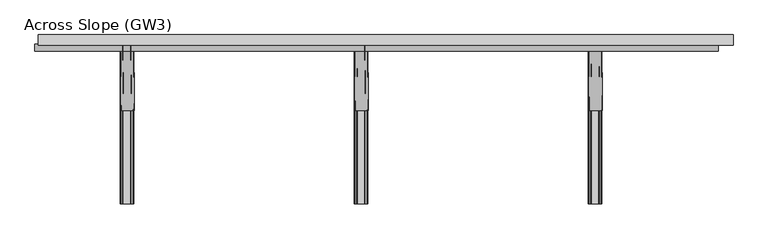
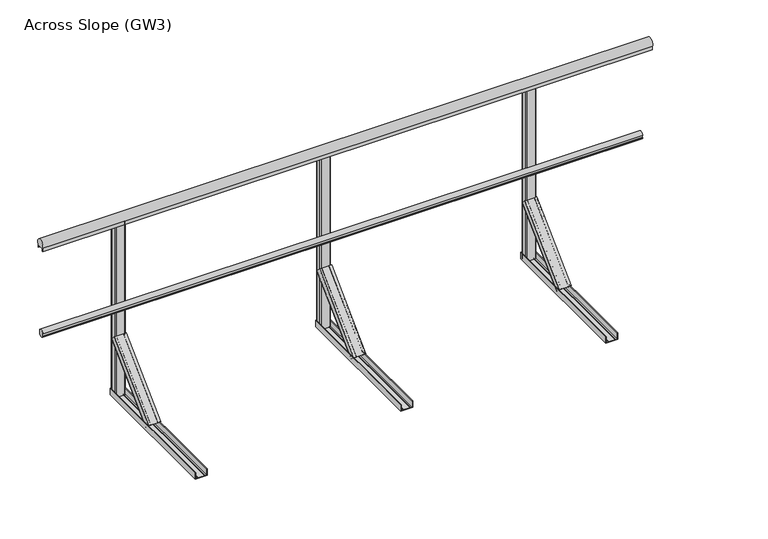
"""IFC4 building model written with IfcOpenShell, lengths in millimetres: railing geometry, Across Slope (GW3)."""

from ifc_helpers import new_model, si_unit, point, frame, frame_2d, origin, origin_with_axes, place, context, project, spatial, polyline, circle_curve, trimmed, segment, composite_curve, outline, extrude, source, transform, mapped, element, save
from ifc_brep_helpers import plane_surface, extruded_surface, advanced_brep


def across_slope_gw3_7d559c60(model_context):
    return source(origin(), model_context, "Body", "SolidModel", [
        extrude(outline(composite_curve([segment(polyline([(727.7, 520.617273), (731.7, 520.617273), (731.7, 535.382727), (727.7, 535.382727)]), True, "CONTINUOUS"), segment(trimmed(circle_curve(frame_2d((746.287505, 528.0)), 20.0), [point((727.7, 535.382727))], [point((762.0, 540.3740657))], False, "CARTESIAN"), True, "CONTINUOUS"), segment(polyline([(762.0, 540.3740657), (762.0, 515.6259343)]), True, "CONTINUOUS"), segment(trimmed(circle_curve(frame_2d((746.287505, 528.0)), 20.0), [point((762.0, 515.6259343))], [point((727.7, 520.617273))], False, "CARTESIAN"), True, "CONTINUOUS")], self_intersect=False)), frame((-410.0, 0.0, 0.0), z_axis=(1.0, 0.0, 0.0), x_axis=(0.0, 1.0, 0.0)), (0.0, 0.0, 1.0), 3255.4852492),
        extrude(outline(composite_curve([segment(polyline([(802.0, 1001.43534), (802.0, 983.0), (801.0, 983.0), (801.0, 998.0), (761.0, 998.0), (761.0, 983.0), (760.0, 983.0), (760.0, 1001.43534)]), True, "CONTINUOUS"), segment(trimmed(circle_curve(frame_2d((781.0, 1015.0)), 25.0), [point((760.0, 1001.43534))], [point((802.0, 1001.43534))], False, "CARTESIAN"), True, "CONTINUOUS")], self_intersect=False)), frame((-395.0, 0.0, 0.0), z_axis=(1.0, 0.0, 0.0), x_axis=(0.0, 1.0, 0.0)), (0.0, 0.0, 1.0), 3310.4852492),
        extrude(outline(composite_curve([segment(polyline([(1119.7426246, 800.0), (1165.7426246, 800.0)]), True, "CONTINUOUS"), segment(trimmed(circle_curve(frame_2d((1165.7426246, 795.0)), 5.0), [point((1165.7426246, 800.0))], [point((1170.7426246, 795.0))], False, "CARTESIAN"), True, "CONTINUOUS"), segment(polyline([(1170.7426246, 795.0), (1170.7426246, 767.0)]), True, "CONTINUOUS"), segment(trimmed(circle_curve(frame_2d((1165.7426246, 767.0)), 5.0), [point((1170.7426246, 767.0))], [point((1165.7426246, 762.0))], False, "CARTESIAN"), True, "CONTINUOUS"), segment(polyline([(1165.7426246, 762.0), (1119.7426246, 762.0)]), True, "CONTINUOUS"), segment(trimmed(circle_curve(frame_2d((1119.7426246, 767.0)), 5.0), [point((1119.7426246, 762.0))], [point((1114.7426246, 767.0))], False, "CARTESIAN"), True, "CONTINUOUS"), segment(polyline([(1114.7426246, 767.0), (1114.7426246, 795.0)]), True, "CONTINUOUS"), segment(trimmed(circle_curve(frame_2d((1119.7426246, 795.0)), 5.0), [point((1114.7426246, 795.0))], [point((1119.7426246, 800.0))], False, "CARTESIAN"), True, "CONTINUOUS")], self_intersect=False)), origin_with_axes(), (0.0, 0.0, 1.0), 998.0),
        advanced_brep(
        [(1178.2426246, 443.7912606, 38.0), (1113.2426246, 443.7912606, 38.0), (1113.2426246, 469.6006581, 12.1906025), (1116.2426246, 469.6006581, 12.1906025), (1116.2426246, 445.9125809, 35.8786797), (1126.2426246, 445.9125809, 35.8786797), (1126.2426246, 447.6803479, 34.1109127), (1127.2426246, 447.6803479, 34.1109127), (1127.2426246, 445.9125809, 35.8786797), (1164.2426246, 445.9125809, 35.8786797), (1164.2426246, 447.6803479, 34.1109127), (1165.2426246, 447.6803479, 34.1109127), (1165.2426246, 445.9125809, 35.8786797), (1175.2426246, 445.9125809, 35.8786797), (1175.2426246, 469.6006581, 12.1906025), (1178.2426246, 469.6006581, 12.1906025), (1175.2426246, 761.9893121, 356.1980516), (1175.2426246, 787.7987096, 330.3886541), (1172.2426246, 787.7987096, 330.3886541), (1172.2426246, 764.1106324, 354.0767312), (1162.2426246, 764.1106324, 354.0767312), (1162.2426246, 765.8783994, 352.3089643), (1161.2426246, 765.8783994, 352.3089643), (1161.2426246, 764.1106324, 354.0767312), (1124.2426246, 764.1106324, 354.0767312), (1124.2426246, 765.8783994, 352.3089643), (1123.2426246, 765.8783994, 352.3089643), (1123.2426246, 764.1106324, 354.0767312), (1113.2426246, 764.1106324, 354.0767312), (1113.2426246, 787.7987096, 330.3886541), (1110.2426246, 787.7987096, 330.3886541), (1110.2426246, 761.9893121, 356.1980516)],
        [
            (0, 1),
            (1, 2),
            (2, 3, circle_curve(frame((1114.7426246, 469.6006581, 12.1906025), z_axis=(0.0, -0.7071067811865529, -0.7071067811865422), x_axis=(0.0, 0.7071067811865422, -0.7071067811865529)), 1.5)),
            (3, 4),
            (4, 5),
            (5, 6),
            (6, 7, circle_curve(frame((1126.7426246, 447.6803479, 34.1109127), z_axis=(0.0, -0.7071067811865529, -0.7071067811865422), x_axis=(0.0, 0.7071067811865422, -0.7071067811865529)), 0.5)),
            (7, 8),
            (8, 9),
            (9, 10),
            (10, 11, circle_curve(frame((1164.7426246, 447.6803479, 34.1109127), z_axis=(0.0, -0.7071067811865529, -0.7071067811865422), x_axis=(0.0, 0.7071067811865422, -0.7071067811865529)), 0.5)),
            (11, 12),
            (12, 13),
            (13, 14),
            (14, 15, circle_curve(frame((1176.7426246, 469.6006581, 12.1906025), z_axis=(0.0, -0.7071067811865529, -0.7071067811865422), x_axis=(0.0, 0.7071067811865422, -0.7071067811865529)), 1.5)),
            (15, 0),
            (16, 17),
            (17, 18, circle_curve(frame((1173.7426246, 787.7987096, 330.3886541), z_axis=(0.0, 0.7071067811865529, 0.7071067811865422), x_axis=(0.0, 0.7071067811865422, -0.7071067811865529)), 1.5)),
            (18, 19),
            (19, 20),
            (20, 21),
            (21, 22, circle_curve(frame((1161.7426246, 765.8783994, 352.3089643), z_axis=(0.0, 0.7071067811865529, 0.7071067811865422), x_axis=(0.0, 0.7071067811865422, -0.7071067811865529)), 0.5)),
            (22, 23),
            (23, 24),
            (24, 25),
            (25, 26, circle_curve(frame((1123.7426246, 765.8783994, 352.3089643), z_axis=(0.0, 0.7071067811865529, 0.7071067811865422), x_axis=(0.0, 0.7071067811865422, -0.7071067811865529)), 0.5)),
            (26, 27),
            (27, 28),
            (28, 29),
            (29, 30, circle_curve(frame((1111.7426246, 787.7987096, 330.3886541), z_axis=(0.0, 0.7071067811865529, 0.7071067811865422), x_axis=(0.0, 0.7071067811865422, -0.7071067811865529)), 1.5)),
            (30, 31),
            (31, 16),
            (16, 0),
            (15, 17),
            (14, 18),
            (13, 19),
            (12, 20),
            (11, 21),
            (10, 22),
            (9, 23),
            (8, 24),
            (7, 25),
            (6, 26),
            (5, 27),
            (4, 28),
            (3, 29),
            (2, 30),
            (1, 31),
        ],
        [
            plane_surface(frame((1145.7426246, 452.0113769, 29.7798837), z_axis=(0.0, -0.7071067811865528, -0.7071067811865424), x_axis=(0.0, 0.7071067811865424, -0.7071067811865528))),
            plane_surface(frame((1142.7426246, 770.2094284, 347.9779352), z_axis=(0.0, 0.7071067811865528, 0.7071067811865422), x_axis=(0.0, 0.7071067811865422, -0.7071067811865528))),
            plane_surface(frame((1175.2426246, 774.8940109, 343.2933528), z_axis=(0.9999777785184911, 0.004713940454846682, 0.004713940454842173), x_axis=(0.0, 0.7071067811865424, -0.7071067811865528))),
            extruded_surface(trimmed(circle_curve(frame((1176.7426246, 469.6006581, 12.1906025), z_axis=(0.0, 0.7071067811865529, 0.7071067811865422), x_axis=(0.0, 0.7071067811865422, -0.7071067811865529)), 1.5), [point((1178.2426246, 469.6006581, 12.1906025))], [point((1175.2426246, 469.6006581, 12.1906025))], True, "CARTESIAN"), (-3.0, 318.1980515000001, 318.1980516), 450.00999991159415),
            plane_surface(frame((1172.2426246, 775.954671, 342.2326926), z_axis=(-0.9999777785184913, -0.004713940454846682, -0.004713940454842174), x_axis=(0.0, -0.7071067811865425, 0.7071067811865528))),
            plane_surface(frame((1167.2426246, 764.1106324, 354.0767312), z_axis=(0.0, 0.7071067811865427, -0.7071067811865523), x_axis=(-1.0, 0.0, 0.0))),
            plane_surface(frame((1162.2426246, 764.9945159, 353.1928478), z_axis=(0.9999777785184911, 0.0047139404548466575, 0.0047139404548422), x_axis=(0.0, 0.7071067811865461, -0.7071067811865489))),
            extruded_surface(trimmed(circle_curve(frame((1164.7426246, 447.6803479, 34.1109127), z_axis=(0.0, 0.7071067811865529, 0.7071067811865422), x_axis=(0.0, 0.7071067811865422, -0.7071067811865529)), 0.5), [point((1165.2426246, 447.6803479, 34.1109127))], [point((1164.2426246, 447.6803479, 34.1109127))], True, "CARTESIAN"), (-3.0, 318.1980515, 318.1980516), 450.0099999115941),
            plane_surface(frame((1161.2426246, 764.9945159, 353.1928478), z_axis=(-0.9999777785184911, -0.004713940454846672, -0.004713940454842214), x_axis=(0.0, -0.7071067811865461, 0.7071067811865489))),
            plane_surface(frame((1142.7426246, 764.1106324, 354.0767312), z_axis=(0.0, 0.7071067811865427, -0.7071067811865523), x_axis=(-1.0, 0.0, 0.0))),
            plane_surface(frame((1124.2426246, 764.9945159, 353.1928478), z_axis=(0.9999777785184911, 0.0047139404548466645, 0.004713940454842207), x_axis=(0.0, 0.7071067811865461, -0.7071067811865489))),
            extruded_surface(trimmed(circle_curve(frame((1126.7426246, 447.6803479, 34.1109127), z_axis=(0.0, 0.7071067811865529, 0.7071067811865422), x_axis=(0.0, 0.7071067811865422, -0.7071067811865529)), 0.5), [point((1127.2426246, 447.6803479, 34.1109127))], [point((1126.2426246, 447.6803479, 34.1109127))], True, "CARTESIAN"), (-3.0, 318.1980515, 318.1980516), 450.0099999115941),
            plane_surface(frame((1123.2426246, 764.9945159, 353.1928478), z_axis=(-0.9999777785184911, -0.004713940454846691, -0.004713940454842178), x_axis=(0.0, -0.7071067811865419, 0.7071067811865531))),
            plane_surface(frame((1118.2426246, 764.1106324, 354.0767312), z_axis=(0.0, 0.7071067811865425, -0.7071067811865526), x_axis=(-1.0, 0.0, 0.0))),
            plane_surface(frame((1113.2426246, 775.954671, 342.2326926), z_axis=(0.9999777785184913, 0.00471394045484669, 0.004713940454842181), x_axis=(0.0, 0.7071067811865425, -0.7071067811865528))),
            extruded_surface(trimmed(circle_curve(frame((1114.7426246, 469.6006581, 12.1906025), z_axis=(0.0, 0.7071067811865529, 0.7071067811865422), x_axis=(0.0, 0.7071067811865422, -0.7071067811865529)), 1.5), [point((1116.2426246, 469.6006581, 12.1906025))], [point((1113.2426246, 469.6006581, 12.1906025))], True, "CARTESIAN"), (-3.0, 318.1980515000001, 318.1980516), 450.00999991159415),
            plane_surface(frame((1110.2426246, 774.8940109, 343.2933528), z_axis=(-0.9999777785184911, -0.0047139404548466905, -0.004713940454842179), x_axis=(0.0, -0.7071067811865421, 0.7071067811865529))),
            plane_surface(frame((1142.7426246, 761.9893121, 356.1980516), z_axis=(0.0, -0.707106781186543, 0.707106781186552), x_axis=(1.0, 0.0, 0.0))),
        ],
        [
            (0, [[1, 2, 3, 4, 5, 6, 7, 8, 9, 10, 11, 12, 13, 14, 15, 16]]),
            (1, [[17, 18, 19, 20, 21, 22, 23, 24, 25, 26, 27, 28, 29, 30, 31, 32]]),
            (2, [[33, -16, 34, -17]]),
            (3, [[-34, -15, 35, -18]]),
            (4, [[-35, -14, 36, -19]]),
            (5, [[-36, -13, 37, -20]]),
            (6, [[-37, -12, 38, -21]]),
            (7, [[-38, -11, 39, -22]]),
            (8, [[-39, -10, 40, -23]]),
            (9, [[-40, -9, 41, -24]]),
            (10, [[-41, -8, 42, -25]]),
            (11, [[-42, -7, 43, -26]]),
            (12, [[-43, -6, 44, -27]]),
            (13, [[-44, -5, 45, -28]]),
            (14, [[-45, -4, 46, -29]]),
            (15, [[-46, -3, 47, -30]]),
            (16, [[-47, -2, 48, -31]]),
            (17, [[-48, -1, -33, -32]]),
        ],
    ),
        extrude(outline(composite_curve([segment(polyline([(0.0, 1175.2426246), (36.5, 1175.2426246)]), True, "CONTINUOUS"), segment(trimmed(circle_curve(frame_2d((36.5, 1173.7426246)), 1.5), [point((36.5, 1175.2426246))], [point((36.5, 1172.2426246))], False, "CARTESIAN"), True, "CONTINUOUS"), segment(polyline([(36.5, 1172.2426246), (3.0, 1172.2426246), (3.0, 1162.2426246), (5.5, 1162.2426246)]), True, "CONTINUOUS"), segment(trimmed(circle_curve(frame_2d((5.5, 1161.7426246)), 0.5), [point((5.5, 1162.2426246))], [point((5.5, 1161.2426246))], False, "CARTESIAN"), True, "CONTINUOUS"), segment(polyline([(5.5, 1161.2426246), (3.0, 1161.2426246), (3.0, 1124.2426246), (5.5, 1124.2426246)]), True, "CONTINUOUS"), segment(trimmed(circle_curve(frame_2d((5.5, 1123.7426246)), 0.5), [point((5.5, 1124.2426246))], [point((5.5, 1123.2426246))], False, "CARTESIAN"), True, "CONTINUOUS"), segment(polyline([(5.5, 1123.2426246), (3.0, 1123.2426246), (3.0, 1113.2426246), (36.5, 1113.2426246)]), True, "CONTINUOUS"), segment(trimmed(circle_curve(frame_2d((36.5, 1111.7426246)), 1.5), [point((36.5, 1113.2426246))], [point((36.5, 1110.2426246))], False, "CARTESIAN"), True, "CONTINUOUS"), segment(polyline([(36.5, 1110.2426246), (0.0, 1110.2426246), (0.0, 1175.2426246)]), True, "CONTINUOUS")], self_intersect=False)), frame((0.0, 0.0, 0.0), z_axis=(0.0, 1.0, 0.0), x_axis=(0.0, 0.0, 1.0)), (0.0, 0.0, 1.0), 800.0),
        extrude(outline(composite_curve([segment(polyline([(2234.4852492, 800.0), (2280.4852492, 800.0)]), True, "CONTINUOUS"), segment(trimmed(circle_curve(frame_2d((2280.4852492, 795.0)), 5.0), [point((2280.4852492, 800.0))], [point((2285.4852492, 795.0))], False, "CARTESIAN"), True, "CONTINUOUS"), segment(polyline([(2285.4852492, 795.0), (2285.4852492, 767.0)]), True, "CONTINUOUS"), segment(trimmed(circle_curve(frame_2d((2280.4852492, 767.0)), 5.0), [point((2285.4852492, 767.0))], [point((2280.4852492, 762.0))], False, "CARTESIAN"), True, "CONTINUOUS"), segment(polyline([(2280.4852492, 762.0), (2234.4852492, 762.0)]), True, "CONTINUOUS"), segment(trimmed(circle_curve(frame_2d((2234.4852492, 767.0)), 5.0), [point((2234.4852492, 762.0))], [point((2229.4852492, 767.0))], False, "CARTESIAN"), True, "CONTINUOUS"), segment(polyline([(2229.4852492, 767.0), (2229.4852492, 795.0)]), True, "CONTINUOUS"), segment(trimmed(circle_curve(frame_2d((2234.4852492, 795.0)), 5.0), [point((2229.4852492, 795.0))], [point((2234.4852492, 800.0))], False, "CARTESIAN"), True, "CONTINUOUS")], self_intersect=False)), origin_with_axes(), (0.0, 0.0, 1.0), 998.0),
        advanced_brep(
        [(2292.9852492, 443.7912606, 38.0), (2227.9852492, 443.7912606, 38.0), (2227.9852492, 469.6006581, 12.1906025), (2230.9852492, 469.6006581, 12.1906025), (2230.9852492, 445.9125809, 35.8786797), (2240.9852492, 445.9125809, 35.8786797), (2240.9852492, 447.6803479, 34.1109127), (2241.9852492, 447.6803479, 34.1109127), (2241.9852492, 445.9125809, 35.8786797), (2278.9852492, 445.9125809, 35.8786797), (2278.9852492, 447.6803479, 34.1109127), (2279.9852492, 447.6803479, 34.1109127), (2279.9852492, 445.9125809, 35.8786797), (2289.9852492, 445.9125809, 35.8786797), (2289.9852492, 469.6006581, 12.1906025), (2292.9852492, 469.6006581, 12.1906025), (2289.9852492, 761.9893121, 356.1980516), (2289.9852492, 787.7987096, 330.3886541), (2286.9852492, 787.7987096, 330.3886541), (2286.9852492, 764.1106324, 354.0767312), (2276.9852492, 764.1106324, 354.0767312), (2276.9852492, 765.8783994, 352.3089643), (2275.9852492, 765.8783994, 352.3089643), (2275.9852492, 764.1106324, 354.0767312), (2238.9852492, 764.1106324, 354.0767312), (2238.9852492, 765.8783994, 352.3089643), (2237.9852492, 765.8783994, 352.3089643), (2237.9852492, 764.1106324, 354.0767312), (2227.9852492, 764.1106324, 354.0767312), (2227.9852492, 787.7987096, 330.3886541), (2224.9852492, 787.7987096, 330.3886541), (2224.9852492, 761.9893121, 356.1980516)],
        [
            (0, 1),
            (1, 2),
            (2, 3, circle_curve(frame((2229.4852492, 469.6006581, 12.1906025), z_axis=(0.0, -0.7071067811865529, -0.7071067811865422), x_axis=(0.0, 0.7071067811865422, -0.7071067811865529)), 1.5)),
            (3, 4),
            (4, 5),
            (5, 6),
            (6, 7, circle_curve(frame((2241.4852492, 447.6803479, 34.1109127), z_axis=(0.0, -0.7071067811865529, -0.7071067811865422), x_axis=(0.0, 0.7071067811865422, -0.7071067811865529)), 0.5)),
            (7, 8),
            (8, 9),
            (9, 10),
            (10, 11, circle_curve(frame((2279.4852492, 447.6803479, 34.1109127), z_axis=(0.0, -0.7071067811865529, -0.7071067811865422), x_axis=(0.0, 0.7071067811865422, -0.7071067811865529)), 0.5)),
            (11, 12),
            (12, 13),
            (13, 14),
            (14, 15, circle_curve(frame((2291.4852492, 469.6006581, 12.1906025), z_axis=(0.0, -0.7071067811865529, -0.7071067811865422), x_axis=(0.0, 0.7071067811865422, -0.7071067811865529)), 1.5)),
            (15, 0),
            (16, 17),
            (17, 18, circle_curve(frame((2288.4852492, 787.7987096, 330.3886541), z_axis=(0.0, 0.7071067811865529, 0.7071067811865422), x_axis=(0.0, 0.7071067811865422, -0.7071067811865529)), 1.5)),
            (18, 19),
            (19, 20),
            (20, 21),
            (21, 22, circle_curve(frame((2276.4852492, 765.8783994, 352.3089643), z_axis=(0.0, 0.7071067811865529, 0.7071067811865422), x_axis=(0.0, 0.7071067811865422, -0.7071067811865529)), 0.5)),
            (22, 23),
            (23, 24),
            (24, 25),
            (25, 26, circle_curve(frame((2238.4852492, 765.8783994, 352.3089643), z_axis=(0.0, 0.7071067811865529, 0.7071067811865422), x_axis=(0.0, 0.7071067811865422, -0.7071067811865529)), 0.5)),
            (26, 27),
            (27, 28),
            (28, 29),
            (29, 30, circle_curve(frame((2226.4852492, 787.7987096, 330.3886541), z_axis=(0.0, 0.7071067811865529, 0.7071067811865422), x_axis=(0.0, 0.7071067811865422, -0.7071067811865529)), 1.5)),
            (30, 31),
            (31, 16),
            (16, 0),
            (15, 17),
            (14, 18),
            (13, 19),
            (12, 20),
            (11, 21),
            (10, 22),
            (9, 23),
            (8, 24),
            (7, 25),
            (6, 26),
            (5, 27),
            (4, 28),
            (3, 29),
            (2, 30),
            (1, 31),
        ],
        [
            plane_surface(frame((2260.4852492, 452.0113769, 29.7798837), z_axis=(0.0, -0.7071067811865528, -0.7071067811865424), x_axis=(0.0, 0.7071067811865424, -0.7071067811865528))),
            plane_surface(frame((2257.4852492, 770.2094284, 347.9779352), z_axis=(0.0, 0.7071067811865528, 0.7071067811865422), x_axis=(0.0, 0.7071067811865422, -0.7071067811865528))),
            plane_surface(frame((2289.9852492, 774.8940109, 343.2933528), z_axis=(0.9999777785184912, 0.004713940454838001, 0.004713940454842175), x_axis=(0.0, 0.7071067811865424, -0.7071067811865528))),
            extruded_surface(trimmed(circle_curve(frame((2291.4852492, 469.6006581, 12.1906025), z_axis=(0.0, 0.7071067811865529, 0.7071067811865422), x_axis=(0.0, 0.7071067811865422, -0.7071067811865529)), 1.5), [point((2292.9852492, 469.6006581, 12.1906025))], [point((2289.9852492, 469.6006581, 12.1906025))], True, "CARTESIAN"), (-3.0, 318.1980515000001, 318.1980516), 450.00999991159415),
            plane_surface(frame((2286.9852492, 775.954671, 342.2326927), z_axis=(-0.9999777785184913, -0.0047139404548379995, -0.004713940454842174), x_axis=(0.0, -0.7071067811865425, 0.7071067811865528))),
            plane_surface(frame((2281.9852492, 764.1106324, 354.0767312), z_axis=(0.0, 0.7071067811865427, -0.7071067811865523), x_axis=(-1.0, 0.0, 0.0))),
            plane_surface(frame((2276.9852492, 764.9945159, 353.1928478), z_axis=(0.9999777785184911, 0.004713940454837976, 0.0047139404548422), x_axis=(0.0, 0.7071067811865461, -0.7071067811865489))),
            extruded_surface(trimmed(circle_curve(frame((2279.4852492, 447.6803479, 34.1109127), z_axis=(0.0, 0.7071067811865529, 0.7071067811865422), x_axis=(0.0, 0.7071067811865422, -0.7071067811865529)), 0.5), [point((2279.9852492, 447.6803479, 34.1109127))], [point((2278.9852492, 447.6803479, 34.1109127))], True, "CARTESIAN"), (-3.0, 318.1980515, 318.1980516), 450.0099999115941),
            plane_surface(frame((2275.9852492, 764.9945159, 353.1928478), z_axis=(-0.9999777785184911, -0.00471394045483799, -0.004713940454842214), x_axis=(0.0, -0.7071067811865461, 0.7071067811865489))),
            plane_surface(frame((2257.4852492, 764.1106324, 354.0767312), z_axis=(0.0, 0.7071067811865427, -0.7071067811865523), x_axis=(-1.0, 0.0, 0.0))),
            plane_surface(frame((2238.9852492, 764.9945159, 353.1928478), z_axis=(0.9999777785184911, 0.004713940454837982, 0.004713940454842207), x_axis=(0.0, 0.7071067811865461, -0.7071067811865489))),
            extruded_surface(trimmed(circle_curve(frame((2241.4852492, 447.6803479, 34.1109127), z_axis=(0.0, 0.7071067811865529, 0.7071067811865422), x_axis=(0.0, 0.7071067811865422, -0.7071067811865529)), 0.5), [point((2241.9852492, 447.6803479, 34.1109127))], [point((2240.9852492, 447.6803479, 34.1109127))], True, "CARTESIAN"), (-3.0, 318.1980515, 318.1980516), 450.0099999115941),
            plane_surface(frame((2237.9852492, 764.9945159, 353.1928478), z_axis=(-0.9999777785184911, -0.004713940454838009, -0.004713940454842178), x_axis=(0.0, -0.7071067811865419, 0.7071067811865531))),
            plane_surface(frame((2232.9852492, 764.1106324, 354.0767312), z_axis=(0.0, 0.7071067811865425, -0.7071067811865526), x_axis=(-1.0, 0.0, 0.0))),
            plane_surface(frame((2227.9852492, 775.954671, 342.2326927), z_axis=(0.9999777785184913, 0.004713940454838007, 0.004713940454842181), x_axis=(0.0, 0.7071067811865425, -0.7071067811865528))),
            extruded_surface(trimmed(circle_curve(frame((2229.4852492, 469.6006581, 12.1906025), z_axis=(0.0, 0.7071067811865529, 0.7071067811865422), x_axis=(0.0, 0.7071067811865422, -0.7071067811865529)), 1.5), [point((2230.9852492, 469.6006581, 12.1906025))], [point((2227.9852492, 469.6006581, 12.1906025))], True, "CARTESIAN"), (-3.0, 318.1980515000001, 318.1980516), 450.00999991159415),
            plane_surface(frame((2224.9852492, 774.8940109, 343.2933528), z_axis=(-0.9999777785184911, -0.004713940454838008, -0.00471394045484218), x_axis=(0.0, -0.7071067811865421, 0.7071067811865529))),
            plane_surface(frame((2257.4852492, 761.9893121, 356.1980516), z_axis=(0.0, -0.707106781186543, 0.707106781186552), x_axis=(1.0, 0.0, 0.0))),
        ],
        [
            (0, [[1, 2, 3, 4, 5, 6, 7, 8, 9, 10, 11, 12, 13, 14, 15, 16]]),
            (1, [[17, 18, 19, 20, 21, 22, 23, 24, 25, 26, 27, 28, 29, 30, 31, 32]]),
            (2, [[33, -16, 34, -17]]),
            (3, [[-34, -15, 35, -18]]),
            (4, [[-35, -14, 36, -19]]),
            (5, [[-36, -13, 37, -20]]),
            (6, [[-37, -12, 38, -21]]),
            (7, [[-38, -11, 39, -22]]),
            (8, [[-39, -10, 40, -23]]),
            (9, [[-40, -9, 41, -24]]),
            (10, [[-41, -8, 42, -25]]),
            (11, [[-42, -7, 43, -26]]),
            (12, [[-43, -6, 44, -27]]),
            (13, [[-44, -5, 45, -28]]),
            (14, [[-45, -4, 46, -29]]),
            (15, [[-46, -3, 47, -30]]),
            (16, [[-47, -2, 48, -31]]),
            (17, [[-48, -1, -33, -32]]),
        ],
    ),
        extrude(outline(composite_curve([segment(polyline([(0.0, 2289.9852492), (36.5, 2289.9852492)]), True, "CONTINUOUS"), segment(trimmed(circle_curve(frame_2d((36.5, 2288.4852492)), 1.5), [point((36.5, 2289.9852492))], [point((36.5, 2286.9852492))], False, "CARTESIAN"), True, "CONTINUOUS"), segment(polyline([(36.5, 2286.9852492), (3.0, 2286.9852492), (3.0, 2276.9852492), (5.5, 2276.9852492)]), True, "CONTINUOUS"), segment(trimmed(circle_curve(frame_2d((5.5, 2276.4852492)), 0.5), [point((5.5, 2276.9852492))], [point((5.5, 2275.9852492))], False, "CARTESIAN"), True, "CONTINUOUS"), segment(polyline([(5.5, 2275.9852492), (3.0, 2275.9852492), (3.0, 2238.9852492), (5.5, 2238.9852492)]), True, "CONTINUOUS"), segment(trimmed(circle_curve(frame_2d((5.5, 2238.4852492)), 0.5), [point((5.5, 2238.9852492))], [point((5.5, 2237.9852492))], False, "CARTESIAN"), True, "CONTINUOUS"), segment(polyline([(5.5, 2237.9852492), (3.0, 2237.9852492), (3.0, 2227.9852492), (36.5, 2227.9852492)]), True, "CONTINUOUS"), segment(trimmed(circle_curve(frame_2d((36.5, 2226.4852492)), 1.5), [point((36.5, 2227.9852492))], [point((36.5, 2224.9852492))], False, "CARTESIAN"), True, "CONTINUOUS"), segment(polyline([(36.5, 2224.9852492), (0.0, 2224.9852492), (0.0, 2289.9852492)]), True, "CONTINUOUS")], self_intersect=False)), frame((0.0, 0.0, 0.0), z_axis=(0.0, 1.0, 0.0), x_axis=(0.0, 0.0, 1.0)), (0.0, 0.0, 1.0), 800.0),
        extrude(outline(composite_curve([segment(polyline([(5.0, 800.0), (51.0, 800.0)]), True, "CONTINUOUS"), segment(trimmed(circle_curve(frame_2d((51.0, 795.0)), 5.0), [point((51.0, 800.0))], [point((56.0, 795.0))], False, "CARTESIAN"), True, "CONTINUOUS"), segment(polyline([(56.0, 795.0), (56.0, 767.0)]), True, "CONTINUOUS"), segment(trimmed(circle_curve(frame_2d((51.0, 767.0)), 5.0), [point((56.0, 767.0))], [point((51.0, 762.0))], False, "CARTESIAN"), True, "CONTINUOUS"), segment(polyline([(51.0, 762.0), (5.0, 762.0)]), True, "CONTINUOUS"), segment(trimmed(circle_curve(frame_2d((5.0, 767.0)), 5.0), [point((5.0, 762.0))], [point((0.0, 767.0))], False, "CARTESIAN"), True, "CONTINUOUS"), segment(polyline([(0.0, 767.0), (0.0, 795.0)]), True, "CONTINUOUS"), segment(trimmed(circle_curve(frame_2d((5.0, 795.0)), 5.0), [point((0.0, 795.0))], [point((5.0, 800.0))], False, "CARTESIAN"), True, "CONTINUOUS")], self_intersect=False)), origin_with_axes(), (0.0, 0.0, 1.0), 998.0),
        advanced_brep(
        [(63.5, 443.7912606, 38.0), (-1.5, 443.7912606, 38.0), (-1.5, 469.6006581, 12.1906025), (1.5, 469.6006581, 12.1906025), (1.5, 445.9125809, 35.8786797), (11.5, 445.9125809, 35.8786797), (11.5, 447.6803479, 34.1109127), (12.5, 447.6803479, 34.1109127), (12.5, 445.9125809, 35.8786797), (49.5, 445.9125809, 35.8786797), (49.5, 447.6803479, 34.1109127), (50.5, 447.6803479, 34.1109127), (50.5, 445.9125809, 35.8786797), (60.5, 445.9125809, 35.8786797), (60.5, 469.6006581, 12.1906025), (63.5, 469.6006581, 12.1906025), (60.5, 761.9893121, 356.1980515), (60.5, 787.7987096, 330.388654), (57.5, 787.7987096, 330.388654), (57.5, 764.1106324, 354.0767312), (47.5, 764.1106324, 354.0767312), (47.5, 765.8783994, 352.3089642), (46.5, 765.8783994, 352.3089642), (46.5, 764.1106324, 354.0767312), (9.5, 764.1106324, 354.0767312), (9.5, 765.8783994, 352.3089642), (8.5, 765.8783994, 352.3089642), (8.5, 764.1106324, 354.0767312), (-1.5, 764.1106324, 354.0767312), (-1.5, 787.7987096, 330.388654), (-4.5, 787.7987096, 330.388654), (-4.5, 761.9893121, 356.1980515)],
        [
            (0, 1),
            (1, 2),
            (2, 3, circle_curve(frame((0.0, 469.6006581, 12.1906025), z_axis=(0.0, -0.7071067811865529, -0.7071067811865422), x_axis=(0.0, 0.7071067811865422, -0.7071067811865529)), 1.5)),
            (3, 4),
            (4, 5),
            (5, 6),
            (6, 7, circle_curve(frame((12.0, 447.6803479, 34.1109127), z_axis=(0.0, -0.7071067811865529, -0.7071067811865422), x_axis=(0.0, 0.7071067811865422, -0.7071067811865529)), 0.5)),
            (7, 8),
            (8, 9),
            (9, 10),
            (10, 11, circle_curve(frame((50.0, 447.6803479, 34.1109127), z_axis=(0.0, -0.7071067811865529, -0.7071067811865422), x_axis=(0.0, 0.7071067811865422, -0.7071067811865529)), 0.5)),
            (11, 12),
            (12, 13),
            (13, 14),
            (14, 15, circle_curve(frame((62.0, 469.6006581, 12.1906025), z_axis=(0.0, -0.7071067811865529, -0.7071067811865422), x_axis=(0.0, 0.7071067811865422, -0.7071067811865529)), 1.5)),
            (15, 0),
            (16, 17),
            (17, 18, circle_curve(frame((59.0, 787.7987096, 330.388654), z_axis=(0.0, 0.7071067811865529, 0.7071067811865422), x_axis=(0.0, 0.7071067811865422, -0.7071067811865529)), 1.5)),
            (18, 19),
            (19, 20),
            (20, 21),
            (21, 22, circle_curve(frame((47.0, 765.8783994, 352.3089642), z_axis=(0.0, 0.7071067811865529, 0.7071067811865422), x_axis=(0.0, 0.7071067811865422, -0.7071067811865529)), 0.5)),
            (22, 23),
            (23, 24),
            (24, 25),
            (25, 26, circle_curve(frame((9.0, 765.8783994, 352.3089642), z_axis=(0.0, 0.7071067811865529, 0.7071067811865422), x_axis=(0.0, 0.7071067811865422, -0.7071067811865529)), 0.5)),
            (26, 27),
            (27, 28),
            (28, 29),
            (29, 30, circle_curve(frame((-3.0, 787.7987096, 330.388654), z_axis=(0.0, 0.7071067811865529, 0.7071067811865422), x_axis=(0.0, 0.7071067811865422, -0.7071067811865529)), 1.5)),
            (30, 31),
            (31, 16),
            (16, 0),
            (15, 17),
            (14, 18),
            (13, 19),
            (12, 20),
            (11, 21),
            (10, 22),
            (9, 23),
            (8, 24),
            (7, 25),
            (6, 26),
            (5, 27),
            (4, 28),
            (3, 29),
            (2, 30),
            (1, 31),
        ],
        [
            plane_surface(frame((31.0, 452.0113769, 29.7798837), z_axis=(0.0, -0.7071067811865528, -0.7071067811865424), x_axis=(0.0, 0.7071067811865424, -0.7071067811865528))),
            plane_surface(frame((28.0, 770.2094284, 347.9779352), z_axis=(0.0, 0.7071067811865528, 0.7071067811865422), x_axis=(0.0, 0.7071067811865422, -0.7071067811865528))),
            plane_surface(frame((60.5, 774.8940109, 343.2933528), z_axis=(0.9999777785184911, 0.004713940454845338, 0.004713940454842174), x_axis=(0.0, 0.7071067811865424, -0.7071067811865528))),
            extruded_surface(trimmed(circle_curve(frame((62.0, 469.6006581, 12.1906025), z_axis=(0.0, 0.7071067811865529, 0.7071067811865422), x_axis=(0.0, 0.7071067811865422, -0.7071067811865529)), 1.5), [point((63.5, 469.6006581, 12.1906025))], [point((60.5, 469.6006581, 12.1906025))], True, "CARTESIAN"), (-3.0, 318.1980515000001, 318.19805149999996), 450.00999984088503),
            plane_surface(frame((57.5, 775.954671, 342.2326926), z_axis=(-0.9999777785184913, -0.004713940454845338, -0.004713940454842175), x_axis=(0.0, -0.7071067811865425, 0.7071067811865528))),
            plane_surface(frame((52.5, 764.1106324, 354.0767312), z_axis=(0.0, 0.7071067811865427, -0.7071067811865523), x_axis=(-1.0, 0.0, 0.0))),
            plane_surface(frame((47.5, 764.9945159, 353.1928477), z_axis=(0.9999777785184911, 0.004713940454845314, 0.004713940454842201), x_axis=(0.0, 0.7071067811865461, -0.7071067811865489))),
            extruded_surface(trimmed(circle_curve(frame((50.0, 447.6803479, 34.1109127), z_axis=(0.0, 0.7071067811865529, 0.7071067811865422), x_axis=(0.0, 0.7071067811865422, -0.7071067811865529)), 0.5), [point((50.5, 447.6803479, 34.1109127))], [point((49.5, 447.6803479, 34.1109127))], True, "CARTESIAN"), (-3.0, 318.1980515, 318.1980515), 450.00999984088503),
            plane_surface(frame((46.5, 764.9945159, 353.1928477), z_axis=(-0.9999777785184911, -0.004713940454845328, -0.004713940454842215), x_axis=(0.0, -0.7071067811865461, 0.7071067811865489))),
            plane_surface(frame((28.0, 764.1106324, 354.0767312), z_axis=(0.0, 0.7071067811865427, -0.7071067811865523), x_axis=(-1.0, 0.0, 0.0))),
            plane_surface(frame((9.5, 764.9945159, 353.1928477), z_axis=(0.9999777785184911, 0.004713940454845321, 0.004713940454842208), x_axis=(0.0, 0.7071067811865461, -0.7071067811865489))),
            extruded_surface(trimmed(circle_curve(frame((12.0, 447.6803479, 34.1109127), z_axis=(0.0, 0.7071067811865529, 0.7071067811865422), x_axis=(0.0, 0.7071067811865422, -0.7071067811865529)), 0.5), [point((12.5, 447.6803479, 34.1109127))], [point((11.5, 447.6803479, 34.1109127))], True, "CARTESIAN"), (-3.0, 318.1980515, 318.1980515), 450.00999984088503),
            plane_surface(frame((8.5, 764.9945159, 353.1928477), z_axis=(-0.9999777785184911, -0.004713940454845348, -0.0047139404548421785), x_axis=(0.0, -0.7071067811865419, 0.7071067811865531))),
            plane_surface(frame((3.5, 764.1106324, 354.0767312), z_axis=(0.0, 0.7071067811865425, -0.7071067811865526), x_axis=(-1.0, 0.0, 0.0))),
            plane_surface(frame((-1.5, 775.954671, 342.2326926), z_axis=(0.9999777785184913, 0.004713940454845345, 0.004713940454842182), x_axis=(0.0, 0.7071067811865425, -0.7071067811865528))),
            extruded_surface(trimmed(circle_curve(frame((0.0, 469.6006581, 12.1906025), z_axis=(0.0, 0.7071067811865529, 0.7071067811865422), x_axis=(0.0, 0.7071067811865422, -0.7071067811865529)), 1.5), [point((1.5, 469.6006581, 12.1906025))], [point((-1.5, 469.6006581, 12.1906025))], True, "CARTESIAN"), (-3.0, 318.1980515000001, 318.19805149999996), 450.00999984088503),
            plane_surface(frame((-4.5, 774.8940109, 343.2933528), z_axis=(-0.9999777785184911, -0.004713940454845347, -0.00471394045484218), x_axis=(0.0, -0.7071067811865421, 0.7071067811865529))),
            plane_surface(frame((28.0, 761.9893121, 356.1980515), z_axis=(0.0, -0.707106781186543, 0.707106781186552), x_axis=(1.0, 0.0, 0.0))),
        ],
        [
            (0, [[1, 2, 3, 4, 5, 6, 7, 8, 9, 10, 11, 12, 13, 14, 15, 16]]),
            (1, [[17, 18, 19, 20, 21, 22, 23, 24, 25, 26, 27, 28, 29, 30, 31, 32]]),
            (2, [[33, -16, 34, -17]]),
            (3, [[-34, -15, 35, -18]]),
            (4, [[-35, -14, 36, -19]]),
            (5, [[-36, -13, 37, -20]]),
            (6, [[-37, -12, 38, -21]]),
            (7, [[-38, -11, 39, -22]]),
            (8, [[-39, -10, 40, -23]]),
            (9, [[-40, -9, 41, -24]]),
            (10, [[-41, -8, 42, -25]]),
            (11, [[-42, -7, 43, -26]]),
            (12, [[-43, -6, 44, -27]]),
            (13, [[-44, -5, 45, -28]]),
            (14, [[-45, -4, 46, -29]]),
            (15, [[-46, -3, 47, -30]]),
            (16, [[-47, -2, 48, -31]]),
            (17, [[-48, -1, -33, -32]]),
        ],
    ),
        extrude(outline(composite_curve([segment(polyline([(0.0, 60.5), (36.5, 60.5)]), True, "CONTINUOUS"), segment(trimmed(circle_curve(frame_2d((36.5, 59.0)), 1.5), [point((36.5, 60.5))], [point((36.5, 57.5))], False, "CARTESIAN"), True, "CONTINUOUS"), segment(polyline([(36.5, 57.5), (3.0, 57.5), (3.0, 47.5), (5.5, 47.5)]), True, "CONTINUOUS"), segment(trimmed(circle_curve(frame_2d((5.5, 47.0)), 0.5), [point((5.5, 47.5))], [point((5.5, 46.5))], False, "CARTESIAN"), True, "CONTINUOUS"), segment(polyline([(5.5, 46.5), (3.0, 46.5), (3.0, 9.5), (5.5, 9.5)]), True, "CONTINUOUS"), segment(trimmed(circle_curve(frame_2d((5.5, 9.0)), 0.5), [point((5.5, 9.5))], [point((5.5, 8.5))], False, "CARTESIAN"), True, "CONTINUOUS"), segment(polyline([(5.5, 8.5), (3.0, 8.5), (3.0, -1.5), (36.5, -1.5)]), True, "CONTINUOUS"), segment(trimmed(circle_curve(frame_2d((36.5, -3.0)), 1.5), [point((36.5, -1.5))], [point((36.5, -4.5))], False, "CARTESIAN"), True, "CONTINUOUS"), segment(polyline([(36.5, -4.5), (0.0, -4.5), (0.0, 60.5)]), True, "CONTINUOUS")], self_intersect=False)), frame((0.0, 0.0, 0.0), z_axis=(0.0, 1.0, 0.0), x_axis=(0.0, 0.0, 1.0)), (0.0, 0.0, 1.0), 800.0),
    ])


if __name__ == "__main__":
    model = new_model("IFC4")
    model_context = context("Model", 3, world=origin())
    ifc_project = project(units=[si_unit("LENGTHUNIT", "METRE", prefix="MILLI")], contexts=[model_context])
    site = spatial("IfcSite", under=ifc_project)
    building = spatial("IfcBuilding", under=site)
    placement = place(None, origin())
    across_slope_gw3_shape = across_slope_gw3_7d559c60(model_context)
    element("IfcRailing", 1, ObjectType="Across Slope (GW3)", at=placement, inside=building, context=model_context, shape_type="MappedRepresentation", body=[
        mapped(across_slope_gw3_shape, transform((0.0, 0.0, 0.0), x_axis=(1.0, 0.0, 0.0), y_axis=(0.0, 1.0, 0.0), z_axis=(0.0, 0.0, 1.0))),
    ])
    save(model, "model.ifc")
